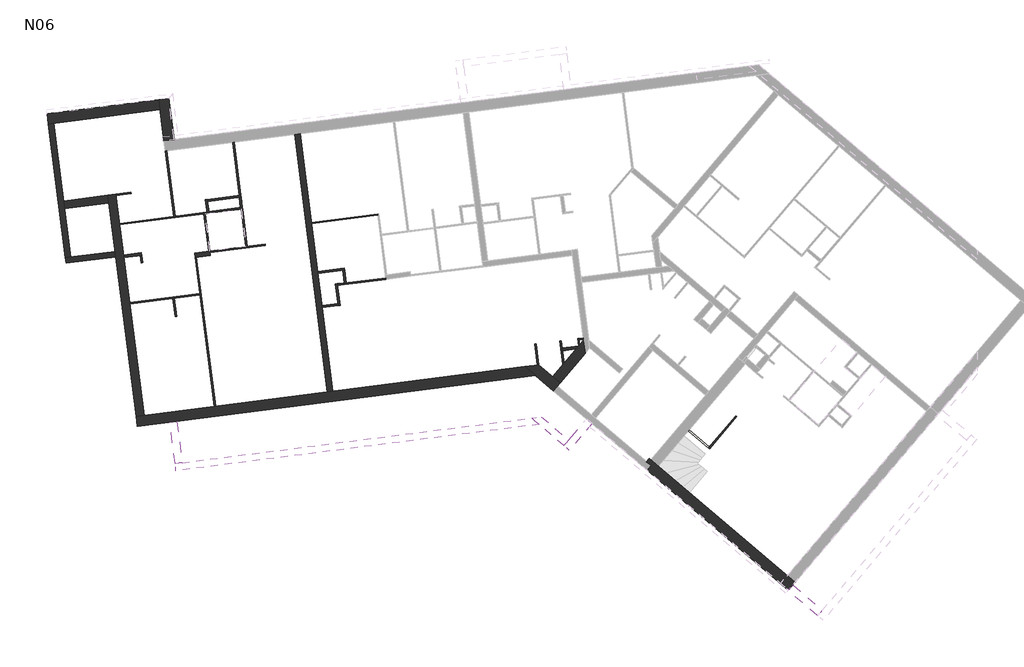
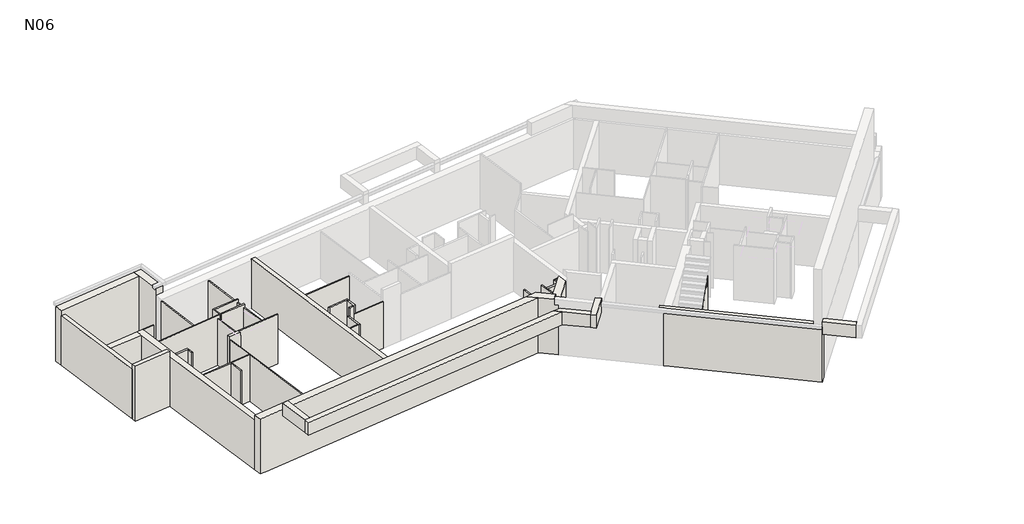
# One storey, part 1 of 3: 47 walls.
"""IFC4 building model written with IfcOpenShell, lengths in millimetres."""

from ifc_helpers import new_model, si_unit, frame, origin, place, context, project, spatial, polyline, outline, extrude, faceted_brep, element, save

model = new_model("IFC4")

# Units and contexts
model_context = context("Model", 3, world=origin())
ifc_project = project(units=[si_unit("LENGTHUNIT", "METRE", prefix="MILLI")], contexts=[model_context])

# Site, building, storey
site = spatial("IfcSite", under=ifc_project)
building = spatial("IfcBuilding", under=site)
storey = spatial("IfcBuildingStorey", under=building, Name="N06", Elevation=16920.0)

# Walls
placement = place(None, origin())
element("IfcWall", 1, at=placement, inside=storey, context=model_context, shape_type="Brep", body=[
    faceted_brep([(5758.2370181, 14194.8714572, 16920.0), (-1162.1110386, 13310.3917107, 16920.0), (-1360.4972796, 13285.0362502, 16920.0), (-7972.5911161, 12439.9540329, 16920.0), (-8260.2511655, 12403.1886151, 16920.0), (-8260.2511655, 12403.1886151, 19420.0), (-8260.2511655, 12403.1886151, 19690.0), (-7972.5911161, 12439.9540329, 19690.0), (-1261.3041591, 13297.7139805, 19690.0), (5758.2370181, 14194.8714572, 19690.0), (6140.2224716, 13870.6827304, 16920.0), (6140.2224716, 13870.6827304, 19690.0), (-1214.3965571, 12930.6994346, 19690.0), (-7925.683514, 12072.939487, 19690.0), (-8213.3435635, 12036.1740692, 19690.0), (-8213.3435635, 12036.1740692, 16920.0), (-7925.683514, 12072.939487, 16920.0)], [[[0, 1, 2, 3, 4, 5, 6, 7, 8, 9]], [[10, 11, 12, 13, 14, 15, 16]], [[4, 3, 2, 1, 0, 10, 16, 15]], [[9, 8, 7, 6, 14, 13, 12, 11]], [[0, 9, 11, 10]], [[6, 5, 4, 15, 14]]]),
])
element("IfcWall", 2, at=placement, inside=storey, context=model_context, shape_type="Brep", body=[
    faceted_brep([(15497.4537779, 6414.5476727, 16920.0), (15215.3544939, 6653.9636162, 16920.0), (10566.9673175, 10599.0214892, 16920.0), (10433.5419804, 10712.2587597, 16920.0), (10300.1166434, 10825.4960303, 16920.0), (10235.3100512, 10880.4969902, 16920.0), (10235.3100512, 10880.4969902, 19690.0), (10566.9673175, 10599.0214892, 19690.0), (15215.3544939, 6653.9636162, 19690.0), (15497.4537779, 6414.5476727, 19690.0), (15497.4537779, 6414.5476727, 19420.0), (15258.0378345, 6132.4483887, 16920.0), (15258.0378345, 6132.4483887, 19690.0), (15254.2256817, 6135.6837396, 19690.0), (14975.9385505, 6371.8643322, 19690.0), (10327.551374, 10316.9222052, 19690.0), (10159.8166646, 10459.277631, 19690.0), (10159.8166646, 10459.277631, 16920.0), (10194.126037, 10430.1594757, 16920.0), (15413.3346627, 6315.4317081, 16920.0), (10302.1720905, 10627.0123404, 16920.0), (10138.2495336, 10766.1324156, 16920.0), (10138.2495336, 10766.1324156, 19690.0), (10302.1720905, 10627.0123404, 19690.0), (15413.3346627, 6315.4317081, 19690.0)], [[[0, 1, 2, 3, 4, 5, 6, 7, 8, 9, 10]], [[11, 12, 13, 14, 15, 16, 17, 18]], [[5, 4, 3, 2, 1, 0, 19, 11, 18, 17, 20, 21]], [[6, 5, 21, 22]], [[9, 8, 7, 6, 22, 23, 16, 15, 14, 13, 12, 24]], [[20, 23, 22, 21]], [[23, 20, 17, 16]], [[0, 10, 9, 24, 12, 11, 19]]]),
])
element("IfcWall", 3, at=placement, inside=storey, context=model_context, shape_type="Brep", body=[
    faceted_brep([(7021.6826483, 13607.8829857, 16920.0), (7925.3724793, 14672.6836444, 16920.0), (7925.3724793, 14672.6836444, 19420.0), (7021.6826483, 13607.8829857, 19420.0), (6754.8319743, 13834.3575268, 16920.0), (6754.8319743, 13834.3575268, 19420.0), (7865.2890942, 15142.7881766, 19420.0), (7865.2890942, 15142.7881766, 16920.0), (7734.3217869, 14988.4718721, 16920.0), (7690.5124995, 14936.8522163, 16920.0), (7594.5428873, 14823.773035, 16920.0), (6888.2573113, 13721.1202563, 19420.0)], [[[0, 1, 2, 3]], [[4, 5, 6, 7, 8, 9, 10]], [[1, 0, 4, 10, 9, 8, 7]], [[3, 2, 6, 5, 11]], [[0, 3, 11, 5, 4]], [[1, 7, 6, 2]]]),
])
element("IfcWall", 4, at=placement, inside=storey, context=model_context, shape_type="Brep", body=[
    faceted_brep([(7021.6826483, 13607.8829857, 16920.0), (6888.2573113, 13721.1202563, 16920.0), (6754.8319743, 13834.3575268, 16920.0), (6255.2046664, 14258.3881787, 16920.0), (6255.2046664, 14258.3881787, 19690.0), (6888.2573113, 13721.1202563, 19690.0), (6888.2573113, 13721.1202563, 19420.0), (7021.6826483, 13607.8829857, 19420.0), (6782.2667049, 13325.7837017, 16920.0), (6782.2667049, 13325.7837017, 19420.0), (6648.8413679, 13439.0209723, 19420.0), (6648.8413679, 13439.0209723, 19690.0), (6140.2224716, 13870.6827304, 19690.0), (5758.2370181, 14194.8714572, 19690.0), (5758.2370181, 14194.8714572, 16920.0), (6140.2224716, 13870.6827304, 16920.0), (6648.8413679, 13439.0209723, 16920.0), (6924.6221307, 13493.5184111, 16920.0), (6791.1967937, 13606.7556817, 19690.0), (6791.1967937, 13606.7556817, 19420.0), (6924.6221307, 13493.5184111, 19420.0)], [[[0, 1, 2, 3, 4, 5, 6, 7]], [[8, 9, 10, 11, 12, 13, 14, 15, 16]], [[3, 2, 1, 0, 17, 8, 16, 15, 14]], [[5, 4, 13, 12, 11, 18]], [[6, 5, 18, 11, 10, 19]], [[6, 19, 10, 9, 20, 7]], [[0, 7, 20, 9, 8, 17]], [[4, 3, 14, 13]]]),
])
element("IfcWall", 5, at=placement, inside=storey, context=model_context, shape_type="Brep", body=[
    faceted_brep([(5996.4358323, 12340.1039215, 19360.0), (-6597.3795676, 10730.5064617, 19360.0), (-6855.2816809, 10697.544363, 19360.0), (-6855.2816809, 10697.544363, 20000.0), (-6597.3795676, 10730.5064617, 20000.0), (5996.4358323, 12340.1039215, 20000.0), (6264.8580429, 12112.2956269, 19360.0), (6264.8580429, 12112.2956269, 20000.0), (-6822.3195822, 10439.6422497, 20000.0), (-6822.3195822, 10439.6422497, 19360.0)], [[[0, 1, 2, 3, 4, 5]], [[6, 7, 8, 9]], [[2, 1, 0, 6, 9]], [[5, 4, 3, 8, 7]], [[3, 2, 9, 8]], [[0, 5, 7, 6]]]),
])
element("IfcWall", 6, at=placement, inside=storey, context=model_context, shape_type="SweptSolid", body=[
    extrude(outline(polyline([(-6787.5455217, 12218.4032693), (-6597.3795676, 10730.5064617), (-6855.2816809, 10697.544363), (-7045.447635, 12185.4411706), (-6787.5455217, 12218.4032693)])), frame((0.0, 0.0, 19360.0), z_axis=(0.0, 0.0, 1.0), x_axis=(1.0, 0.0, 0.0)), (0.0, 0.0, 1.0), 640.0),
])
element("IfcWall", 7, at=placement, inside=storey, context=model_context, shape_type="Brep", body=[
    faceted_brep([(-11422.5288425, 22947.3623567, 16920.0), (-10805.8258082, 18122.1533431, 16920.0), (-10805.8258082, 18122.1533431, 19420.0), (-11422.5288425, 22947.3623567, 19420.0), (-11224.1426015, 22972.7178173, 16920.0), (-11224.1426015, 22972.7178173, 19420.0), (-10866.6306077, 20175.4718191, 19420.0), (-10829.8651899, 19887.8117696, 19420.0), (-10607.4395672, 18147.5088036, 19420.0), (-10607.4395672, 18147.5088036, 16920.0), (-10829.8651899, 19887.8117696, 16920.0), (-10866.6306077, 20175.4718191, 16920.0)], [[[0, 1, 2, 3]], [[4, 5, 6, 7, 8, 9, 10, 11]], [[1, 0, 4, 11, 10, 9]], [[3, 2, 8, 7, 6, 5]], [[0, 3, 5, 4]], [[2, 1, 9, 8]]]),
])
element("IfcWall", 8, at=placement, inside=storey, context=model_context, shape_type="Brep", body=[
    faceted_brep([(-9279.5406797, 20378.3155035, 16920.0), (-9242.7752619, 20090.655454, 16920.0), (-9020.3496391, 18350.352488, 16920.0), (-8994.9941786, 18151.966247, 16920.0), (-8260.2511655, 12403.1886151, 16920.0), (-8260.2511655, 12403.1886151, 19420.0), (-9242.7752619, 20090.655454, 19420.0), (-9279.5406797, 20378.3155035, 19420.0), (-8991.8806302, 20415.0809213, 16920.0), (-8991.8806302, 20415.0809213, 19420.0), (-8985.5417651, 20365.484361, 19420.0), (-7972.5911161, 12439.9540329, 19420.0), (-7972.5911161, 12439.9540329, 16920.0), (-8985.5417651, 20365.484361, 16920.0)], [[[0, 1, 2, 3, 4, 5, 6, 7]], [[8, 9, 10, 11, 12, 13]], [[4, 3, 2, 1, 0, 8, 13, 12]], [[7, 6, 5, 11, 10, 9]], [[5, 4, 12, 11]], [[0, 7, 9, 8]]]),
])
element("IfcWall", 9, at=placement, inside=storey, context=model_context, shape_type="Brep", body=[
    faceted_brep([(-6889.1025532, 22387.5811542, 16920.0), (-7079.2685073, 23875.4779617, 16920.0), (-7079.2685073, 23875.4779617, 19690.0), (-7032.3609053, 23508.4634158, 19690.0), (-6889.1025532, 22387.5811542, 19690.0), (-7446.2830532, 23828.5703597, 16920.0), (-7399.3754512, 23461.5558138, 16920.0), (-7256.1170991, 22340.6735521, 16920.0), (-7256.1170991, 22340.6735521, 19360.0), (-7256.1170991, 22340.6735521, 19690.0), (-7399.3754512, 23461.5558138, 19690.0), (-7446.2830532, 23828.5703597, 19690.0)], [[[0, 1, 2, 3, 4]], [[5, 6, 7, 8, 9, 10, 11]], [[1, 0, 7, 6, 5]], [[1, 5, 11, 2]], [[2, 11, 10, 9, 4, 3]], [[7, 0, 4, 9, 8]]]),
])
element("IfcWall", 10, at=placement, inside=storey, context=model_context, shape_type="Brep", body=[
    faceted_brep([(-11422.5288425, 22947.3623567, 16920.0), (-11224.1426015, 22972.7178173, 16920.0), (-7399.3754512, 23461.5558138, 16920.0), (-7399.3754512, 23461.5558138, 19690.0), (-11422.5288425, 22947.3623567, 19690.0), (-11422.5288425, 22947.3623567, 19420.0), (-11469.4364445, 23314.3769026, 16920.0), (-11469.4364445, 23314.3769026, 19690.0), (-7446.2830532, 23828.5703597, 19690.0), (-7446.2830532, 23828.5703597, 16920.0)], [[[0, 1, 2, 3, 4, 5]], [[6, 7, 8, 9]], [[2, 1, 0, 6, 9]], [[4, 3, 8, 7]], [[3, 2, 9, 8]], [[0, 5, 4, 7, 6]]]),
])
element("IfcWall", 11, at=placement, inside=storey, context=model_context, shape_type="Brep", body=[
    faceted_brep([(-10780.4703476, 17923.7671021, 16920.0), (-8994.9941786, 18151.966247, 16920.0), (-8994.9941786, 18151.966247, 19690.0), (-10780.4703476, 17923.7671021, 19690.0), (-10805.8258082, 18122.1533431, 16920.0), (-10805.8258082, 18122.1533431, 19420.0), (-10805.8258082, 18122.1533431, 19690.0), (-9020.3496391, 18350.352488, 19690.0), (-9020.3496391, 18350.352488, 16920.0), (-10607.4395672, 18147.5088036, 16920.0)], [[[0, 1, 2, 3]], [[4, 5, 6, 7, 8, 9]], [[1, 0, 4, 9, 8]], [[3, 2, 7, 6]], [[0, 3, 6, 5, 4]], [[2, 1, 8, 7]]]),
])
element("IfcWall", 12, at=placement, inside=storey, context=model_context, shape_type="Brep", body=[
    faceted_brep([(16480.7373588, 5409.5335437, 19360.0), (15409.5225099, 6318.6670589, 19360.0), (15409.5225099, 6318.6670589, 19690.0), (15409.5225099, 6318.6670589, 20000.0), (15413.3346627, 6315.4317081, 20000.0), (16480.7373588, 5409.5335437, 20000.0), (16312.4991283, 5211.3016144, 19360.0), (16312.4991283, 5211.3016144, 20000.0), (15241.2842794, 6120.4351296, 20000.0), (15241.2842794, 6120.4351296, 19360.0), (15254.2256817, 6135.6837396, 20000.0)], [[[0, 1, 2, 3, 4, 5]], [[6, 7, 8, 9]], [[1, 0, 6, 9]], [[3, 2, 1, 9, 8, 10]], [[5, 4, 3, 10, 8, 7]], [[0, 5, 7, 6]]]),
])
element("IfcWall", 13, at=placement, inside=storey, context=model_context, shape_type="Brep", body=[
    faceted_brep([(-1162.1110386, 13310.3917107, 16920.0), (-1547.514039, 16325.862574, 16920.0), (-1556.3884502, 16395.2977584, 16920.0), (-1705.3517809, 17560.8169243, 16920.0), (-1714.2261921, 17630.2521086, 16920.0), (-1934.1848124, 19351.2527494, 16920.0), (-1940.5236775, 19400.8493096, 16920.0), (-2348.7465924, 22594.8677898, 16920.0), (-2348.7465924, 22594.8677898, 19420.0), (-1162.1110386, 13310.3917107, 19420.0), (-1360.4972796, 13285.0362502, 16920.0), (-1360.4972796, 13285.0362502, 19420.0), (-2547.1328334, 22569.5123292, 19420.0), (-2547.1328334, 22569.5123292, 16920.0)], [[[0, 1, 2, 3, 4, 5, 6, 7, 8, 9]], [[10, 11, 12, 13]], [[7, 6, 5, 4, 3, 2, 1, 0, 10, 13]], [[9, 8, 12, 11]], [[8, 7, 13, 12]], [[0, 9, 11, 10]]]),
])
element("IfcWall", 14, at=placement, inside=storey, context=model_context, shape_type="Brep", body=[
    faceted_brep([(7979.2654424, 12309.8981668, 20000.0), (7979.2654424, 12309.8981668, 19360.0), (7332.195325, 11547.4676695, 19360.0), (7163.9570945, 11349.2357402, 19360.0), (7163.9570945, 11349.2357402, 20000.0), (7332.195325, 11547.4676695, 20000.0), (8177.4973717, 12141.6599362, 19360.0), (8177.4973717, 12141.6599362, 20000.0), (7362.1890238, 11180.9975097, 20000.0), (7362.1890238, 11180.9975097, 19360.0)], [[[0, 1, 2, 3, 4, 5]], [[6, 7, 8, 9]], [[3, 2, 1, 6, 9]], [[0, 5, 4, 8, 7]], [[0, 7, 6, 1]], [[4, 3, 9, 8]]]),
])
element("IfcWall", 15, at=placement, inside=storey, context=model_context, shape_type="Brep", body=[
    faceted_brep([(5996.4358323, 12340.1039215, 19360.0), (6264.8580429, 12112.2956269, 19360.0), (7163.9570945, 11349.2357402, 19360.0), (7163.9570945, 11349.2357402, 20000.0), (6264.8580429, 12112.2956269, 20000.0), (5996.4358323, 12340.1039215, 20000.0), (6345.6563419, 12384.7372933, 19360.0), (6345.6563419, 12384.7372933, 20000.0), (7332.195325, 11547.4676695, 20000.0), (7332.195325, 11547.4676695, 19360.0)], [[[0, 1, 2, 3, 4, 5]], [[6, 7, 8, 9]], [[2, 1, 0, 6, 9]], [[5, 4, 3, 8, 7]], [[3, 2, 9, 8]], [[0, 5, 7, 6]]]),
])
element("IfcWall", 16, at=placement, inside=storey, context=model_context, shape_type="SweptSolid", body=[
    extrude(outline(polyline([(-9242.7752619, 20090.655454), (-10829.8651899, 19887.8117696), (-10866.6306077, 20175.4718191), (-9279.5406797, 20378.3155035), (-9242.7752619, 20090.655454)])), frame((0.0, 0.0, 16920.0), z_axis=(0.0, 0.0, 1.0), x_axis=(1.0, 0.0, 0.0)), (0.0, 0.0, 1.0), 2500.0),
])
element("IfcWall", 17, ObjectType="CLO 10", at=placement, inside=storey, context=model_context, shape_type="SweptSolid", body=[
    extrude(outline(polyline([(7095.3537765, 14860.7858346), (7690.5124995, 14936.8522163), (7594.5428873, 14823.773035), (7108.0315067, 14761.5927141), (7095.3537765, 14860.7858346)])), frame((0.0, 0.0, 16920.0), z_axis=(0.0, 0.0, 1.0), x_axis=(1.0, 0.0, 0.0)), (0.0, 0.0, 1.0), 2350.0),
])
element("IfcWall", 18, ObjectType="CLO 10", at=placement, inside=storey, context=model_context, shape_type="Brep", body=[
    faceted_brep([(-8699.616304, 18128.3458433, 16920.0), (-8104.457581, 18204.4122249, 16920.0), (-8054.8610207, 18210.7510901, 16920.0), (-8054.8610207, 18210.7510901, 19420.0), (-8104.457581, 18204.4122249, 19420.0), (-8699.616304, 18128.3458433, 19420.0), (-8712.2940343, 18227.5389638, 16920.0), (-8712.2940343, 18227.5389638, 19420.0), (-8067.538751, 18309.9442106, 19420.0), (-8067.538751, 18309.9442106, 16920.0)], [[[0, 1, 2, 3, 4, 5]], [[6, 7, 8, 9]], [[2, 1, 0, 6, 9]], [[5, 4, 3, 8, 7]], [[0, 5, 7, 6]], [[3, 2, 9, 8]]]),
])
element("IfcWall", 19, ObjectType="CLO 5", at=placement, inside=storey, context=model_context, shape_type="Brep", body=[
    faceted_brep([(13359.9100191, 12421.7369279, 16920.0), (12405.8985287, 11297.6432084, 16920.0), (12373.5450229, 11259.5216836, 16920.0), (12373.5450229, 11259.5216836, 18010.5882353), (12373.5450229, 11259.5216836, 18173.5294118), (12536.9302275, 11452.0353841, 18173.5294118), (12536.9302275, 11452.0353841, 18336.4705882), (12692.2270557, 11635.0187035, 18336.4705882), (12692.2270557, 11635.0187035, 18499.4117647), (12847.5238839, 11818.0020228, 18499.4117647), (12847.5238839, 11818.0020228, 18662.3529412), (13002.820712, 12000.9853422, 18662.3529412), (13002.820712, 12000.9853422, 18825.2941176), (13158.1175402, 12183.9686615, 18825.2941176), (13158.1175402, 12183.9686615, 18988.2352941), (13313.4143684, 12366.9519809, 18988.2352941), (13313.4143684, 12366.9519809, 19151.1764706), (13359.9100191, 12421.7369279, 19151.1764706), (13398.031544, 12389.3834221, 16920.0), (13398.031544, 12389.3834221, 19151.1764706), (13351.5358932, 12334.598475, 19151.1764706), (13351.5358932, 12334.598475, 18988.2352941), (13196.2390651, 12151.6151557, 18988.2352941), (13196.2390651, 12151.6151557, 18825.2941176), (13040.9422369, 11968.6318363, 18825.2941176), (13040.9422369, 11968.6318363, 18662.3529412), (12885.6454087, 11785.648517, 18662.3529412), (12885.6454087, 11785.648517, 18499.4117647), (12730.3485806, 11602.6651976, 18499.4117647), (12730.3485806, 11602.6651976, 18336.4705882), (12575.0517524, 11419.6818783, 18336.4705882), (12575.0517524, 11419.6818783, 18173.5294118), (12411.6665477, 11227.1681777, 18173.5294118), (12411.6665477, 11227.1681777, 16920.0)], [[[0, 1, 2, 3, 4, 5, 6, 7, 8, 9, 10, 11, 12, 13, 14, 15, 16, 17]], [[18, 19, 20, 21, 22, 23, 24, 25, 26, 27, 28, 29, 30, 31, 32, 33]], [[4, 3, 2, 33, 32]], [[2, 1, 0, 18, 33]], [[0, 17, 19, 18]], [[5, 4, 32, 31]], [[6, 5, 31, 30]], [[7, 6, 30, 29]], [[8, 7, 29, 28]], [[9, 8, 28, 27]], [[10, 9, 27, 26]], [[11, 10, 26, 25]], [[12, 11, 25, 24]], [[13, 12, 24, 23]], [[14, 13, 23, 22]], [[15, 14, 22, 21]], [[16, 15, 21, 20]], [[17, 16, 20, 19]]]),
])
element("IfcWall", 20, ObjectType="CLO 5", at=placement, inside=storey, context=model_context, shape_type="SweptSolid", body=[
    extrude(outline(polyline([(11681.5895563, 11912.35982), (12405.8985287, 11297.6432084), (12373.5450229, 11259.5216836), (11649.2360505, 11874.2382951), (11681.5895563, 11912.35982)])), frame((0.0, 0.0, 16920.0), z_axis=(0.0, 0.0, 1.0), x_axis=(1.0, 0.0, 0.0)), (0.0, 0.0, 1.0), 1090.5882353),
])
element("IfcWall", 21, ObjectType="CLO 5", at=placement, inside=storey, context=model_context, shape_type="Brep", body=[
    faceted_brep([(7011.5273445, 15122.2683948, 16920.0), (7118.0981267, 14288.4370852, 16920.0), (7118.0981267, 14288.4370852, 19270.0), (7011.5273445, 15122.2683948, 19270.0), (7061.1239047, 15128.60726, 16920.0), (7061.1239047, 15128.60726, 19270.0), (7095.3537765, 14860.7858346, 19270.0), (7108.0315067, 14761.5927141, 19270.0), (7167.6946869, 14294.7759503, 19270.0), (7167.6946869, 14294.7759503, 16920.0), (7108.0315067, 14761.5927141, 16920.0), (7095.3537765, 14860.7858346, 16920.0)], [[[0, 1, 2, 3]], [[4, 5, 6, 7, 8, 9, 10, 11]], [[1, 0, 4, 11, 10, 9]], [[2, 1, 9, 8]], [[3, 2, 8, 7, 6, 5]], [[0, 3, 5, 4]]]),
])
element("IfcWall", 22, ObjectType="CLO 5", at=placement, inside=storey, context=model_context, shape_type="SweptSolid", body=[
    extrude(outline(polyline([(6158.7239449, 15013.2728171), (6255.2046664, 14258.3881787), (6205.6081061, 14252.0493135), (6109.1273846, 15006.9339519), (6158.7239449, 15013.2728171)])), frame((0.0, 0.0, 16920.0), z_axis=(0.0, 0.0, 1.0), x_axis=(1.0, 0.0, 0.0)), (0.0, 0.0, 1.0), 2500.0),
])
element("IfcWall", 23, ObjectType="CLO 5", at=placement, inside=storey, context=model_context, shape_type="Brep", body=[
    faceted_brep([(7734.3217869, 14988.4718721, 16920.0), (7712.2180531, 15161.4159465, 16920.0), (7705.879188, 15211.0125068, 16920.0), (7705.879188, 15211.0125068, 19270.0), (7712.2180531, 15161.4159465, 19270.0), (7734.3217869, 14988.4718721, 19270.0), (7690.5124995, 14936.8522163, 16920.0), (7690.5124995, 14936.8522163, 19270.0), (7656.2826277, 15204.6736416, 19270.0), (7656.2826277, 15204.6736416, 16920.0)], [[[0, 1, 2, 3, 4, 5]], [[6, 7, 8, 9]], [[2, 1, 0, 6, 9]], [[5, 4, 3, 8, 7]], [[3, 2, 9, 8]], [[0, 5, 7, 6]]]),
])
element("IfcWall", 24, ObjectType="CLO 5", at=placement, inside=storey, context=model_context, shape_type="SweptSolid", body=[
    extrude(outline(polyline([(7860.4863389, 15180.3659032), (7712.2180531, 15161.4159465), (7705.879188, 15211.0125068), (7854.1474738, 15229.9624634), (7860.4863389, 15180.3659032)])), frame((0.0, 0.0, 16920.0), z_axis=(0.0, 0.0, 1.0), x_axis=(1.0, 0.0, 0.0)), (0.0, 0.0, 1.0), 2350.0),
])
element("IfcWall", 25, ObjectType="CLO 5", at=placement, inside=storey, context=model_context, shape_type="SweptSolid", body=[
    extrude(outline(polyline([(451.4097357, 19656.1521625), (-1934.1848124, 19351.2527494), (-1940.5236775, 19400.8493096), (445.0708706, 19705.7487227), (451.4097357, 19656.1521625)])), frame((0.0, 0.0, 16920.0), z_axis=(0.0, 0.0, 1.0), x_axis=(1.0, 0.0, 0.0)), (0.0, 0.0, 1.0), 2350.0),
])
element("IfcWall", 26, ObjectType="CLO 5", at=placement, inside=storey, context=model_context, shape_type="SweptSolid", body=[
    extrude(outline(polyline([(-8070.2277092, 17936.5907996), (-8104.457581, 18204.4122249), (-8054.8610207, 18210.7510901), (-8020.631149, 17942.9296647), (-8070.2277092, 17936.5907996)])), frame((0.0, 0.0, 16920.0), z_axis=(0.0, 0.0, 1.0), x_axis=(1.0, 0.0, 0.0)), (0.0, 0.0, 1.0), 2500.0),
])
element("IfcWall", 27, ObjectType="CLO 5", at=placement, inside=storey, context=model_context, shape_type="Brep", body=[
    faceted_brep([(-3604.7314669, 18618.2142485, 16920.0), (-4249.4867502, 18535.8090017, 16920.0), (-4299.0833104, 18529.4701366, 16920.0), (-5598.5130803, 18363.3918839, 16920.0), (-5598.5130803, 18363.3918839, 19270.0), (-5623.3113604, 18360.2224513, 19270.0), (-5623.3113604, 18360.2224513, 19420.0), (-3604.7314669, 18618.2142485, 19420.0), (-3598.3926018, 18568.6176883, 16920.0), (-3598.3926018, 18568.6176883, 19420.0), (-5616.9724953, 18310.625891, 19420.0), (-5616.9724953, 18310.625891, 19270.0), (-5592.1742151, 18313.7953236, 19270.0), (-5592.1742151, 18313.7953236, 16920.0)], [[[0, 1, 2, 3, 4, 5, 6, 7]], [[8, 9, 10, 11, 12, 13]], [[3, 2, 1, 0, 8, 13]], [[7, 6, 10, 9]], [[0, 7, 9, 8]], [[6, 5, 11, 10]], [[11, 5, 4, 12]], [[4, 3, 13, 12]]]),
])
element("IfcWall", 28, ObjectType="CLO 5", at=placement, inside=storey, context=model_context, shape_type="Brep", body=[
    faceted_brep([(-8851.1578242, 19314.0372837, 16920.0), (-5819.9355291, 19701.453452, 16920.0), (-5770.3389689, 19707.7923171, 16920.0), (-5700.9037845, 19716.6667283, 16920.0), (-5700.9037845, 19716.6667283, 19420.0), (-8851.1578242, 19314.0372837, 19420.0), (-8857.4966893, 19363.633844, 16920.0), (-8857.4966893, 19363.633844, 19420.0), (-5707.2426497, 19766.2632885, 19420.0), (-5707.2426497, 19766.2632885, 16920.0), (-6857.8829562, 19619.2016035, 16920.0), (-6907.4795165, 19612.8627383, 16920.0)], [[[0, 1, 2, 3, 4, 5]], [[6, 7, 8, 9, 10, 11]], [[3, 2, 1, 0, 6, 11, 10, 9]], [[5, 4, 8, 7]], [[0, 5, 7, 6]], [[4, 3, 9, 8]]]),
])
element("IfcWall", 29, ObjectType="CLO 5", at=placement, inside=storey, context=model_context, shape_type="Brep", body=[
    faceted_brep([(-5819.9355291, 19701.453452, 16920.0), (-5648.1096405, 18357.0530187, 16920.0), (-5648.1096405, 18357.0530187, 19270.0), (-5819.9355291, 19701.453452, 19270.0), (-5770.3389689, 19707.7923171, 16920.0), (-5770.3389689, 19707.7923171, 19270.0), (-5598.5130803, 18363.3918839, 19270.0), (-5598.5130803, 18363.3918839, 16920.0), (-5623.3113604, 18360.2224513, 19270.0)], [[[0, 1, 2, 3]], [[4, 5, 6, 7]], [[1, 0, 4, 7]], [[3, 2, 8, 6, 5]], [[0, 3, 5, 4]], [[2, 1, 7, 6, 8]]]),
])
element("IfcWall", 30, ObjectType="CLO 5", at=placement, inside=storey, context=model_context, shape_type="SweptSolid", body=[
    extrude(outline(polyline([(-6907.4795165, 19612.8627383), (-7209.209497, 21973.6590063), (-7159.6129368, 21979.9978714), (-6857.8829562, 19619.2016035), (-6907.4795165, 19612.8627383)])), frame((0.0, 0.0, 16920.0), z_axis=(0.0, 0.0, 1.0), x_axis=(1.0, 0.0, 0.0)), (0.0, 0.0, 1.0), 2350.0),
])
element("IfcWall", 31, ObjectType="CLO 5", at=placement, inside=storey, context=model_context, shape_type="Brep", body=[
    faceted_brep([(-8486.6304354, 16461.9014188, 16920.0), (-6933.3857445, 16660.4193921, 16920.0), (-6883.7891843, 16666.7582572, 16920.0), (-5961.2931636, 16784.6611488, 16920.0), (-5961.2931636, 16784.6611488, 19270.0), (-6883.7891843, 16666.7582572, 19270.0), (-6933.3857445, 16660.4193921, 19270.0), (-8486.6304354, 16461.9014188, 19270.0), (-8492.9693005, 16511.4979791, 16920.0), (-8492.9693005, 16511.4979791, 19270.0), (-5967.6320288, 16834.257709, 19270.0), (-5967.6320288, 16834.257709, 16920.0)], [[[0, 1, 2, 3, 4, 5, 6, 7]], [[8, 9, 10, 11]], [[3, 2, 1, 0, 8, 11]], [[7, 6, 5, 4, 10, 9]], [[0, 7, 9, 8]], [[4, 3, 11, 10]]]),
])
element("IfcWall", 32, ObjectType="CLO 5", at=placement, inside=storey, context=model_context, shape_type="Brep", body=[
    faceted_brep([(-6133.7102954, 18133.6875876, 16920.0), (-5967.6320288, 16834.257709, 16920.0), (-5961.2931636, 16784.6611488, 16920.0), (-5447.2538443, 12762.7137628, 16920.0), (-5447.2538443, 12762.7137628, 19270.0), (-5961.2931636, 16784.6611488, 19270.0), (-5967.6320288, 16834.257709, 19270.0), (-6133.7102954, 18133.6875876, 19270.0), (-6084.1137351, 18140.0264528, 16920.0), (-6084.1137351, 18140.0264528, 19270.0), (-5397.6572841, 12769.052628, 19270.0), (-5397.6572841, 12769.052628, 16920.0)], [[[0, 1, 2, 3, 4, 5, 6, 7]], [[8, 9, 10, 11]], [[3, 2, 1, 0, 8, 11]], [[4, 3, 11, 10]], [[7, 6, 5, 4, 10, 9]], [[0, 7, 9, 8]]]),
])
element("IfcWall", 33, ObjectType="CLO 5", at=placement, inside=storey, context=model_context, shape_type="Brep", body=[
    faceted_brep([(-6933.3857445, 16660.4193921, 16920.0), (-6848.4449517, 15995.8254847, 16920.0), (-6848.4449517, 15995.8254847, 19270.0), (-6933.3857445, 16660.4193921, 19270.0), (-6883.7891843, 16666.7582572, 16920.0), (-6883.7891843, 16666.7582572, 19020.0), (-6883.7891843, 16666.7582572, 19270.0), (-6798.8483914, 16002.1643499, 19270.0), (-6798.8483914, 16002.1643499, 16920.0)], [[[0, 1, 2, 3]], [[4, 5, 6, 7, 8]], [[1, 0, 4, 8]], [[2, 1, 8, 7]], [[3, 2, 7, 6]], [[0, 3, 6, 5, 4]]]),
])
element("IfcWall", 34, ObjectType="CLO 5", at=placement, inside=storey, context=model_context, shape_type="SweptSolid", body=[
    extrude(outline(polyline([(-4421.3126388, 19880.209435), (-4249.4867502, 18535.8090017), (-4299.0833104, 18529.4701366), (-4470.909199, 19873.8705698), (-4421.3126388, 19880.209435)])), frame((0.0, 0.0, 16920.0), z_axis=(0.0, 0.0, 1.0), x_axis=(1.0, 0.0, 0.0)), (0.0, 0.0, 1.0), 2350.0),
])
element("IfcWall", 35, ObjectType="CLO 5", at=placement, inside=storey, context=model_context, shape_type="SweptSolid", body=[
    extrude(outline(polyline([(-8439.9796023, 20435.2118776), (-8985.5417651, 20365.484361), (-8991.8806302, 20415.0809213), (-8446.3184675, 20484.8084378), (-8439.9796023, 20435.2118776)])), frame((0.0, 0.0, 16920.0), z_axis=(0.0, 0.0, 1.0), x_axis=(1.0, 0.0, 0.0)), (0.0, 0.0, 1.0), 2500.0),
])
element("IfcWall", 36, ObjectType="CLO 5", at=placement, inside=storey, context=model_context, shape_type="Brep", body=[
    faceted_brep([(740.461986, 17394.549015, 16920.0), (-682.9592932, 17212.6235856, 16920.0), (-752.3944776, 17203.7491744, 16920.0), (-752.3944776, 17203.7491744, 19270.0), (740.461986, 17394.549015, 19270.0), (746.8008511, 17344.9524548, 16920.0), (746.8008511, 17344.9524548, 19270.0), (-746.0556124, 17154.1526141, 19270.0), (-746.0556124, 17154.1526141, 16920.0)], [[[0, 1, 2, 3, 4]], [[5, 6, 7, 8]], [[2, 1, 0, 5, 8]], [[4, 3, 7, 6]], [[0, 4, 6, 5]], [[3, 2, 8, 7]]]),
])
element("IfcWall", 37, ObjectType="CLO 5", at=placement, inside=storey, context=model_context, shape_type="SweptSolid", body=[
    extrude(outline(polyline([(-4729.3814845, 22290.6022632), (-4484.7012902, 20376.1750375), (-4534.2978504, 20369.8361723), (-4778.9780447, 22284.263398), (-4729.3814845, 22290.6022632)])), frame((0.0, 0.0, 16920.0), z_axis=(0.0, 0.0, 1.0), x_axis=(1.0, 0.0, 0.0)), (0.0, 0.0, 1.0), 2350.0),
])
element("IfcWall", 38, ObjectType="CLO 7", at=placement, inside=storey, context=model_context, shape_type="Brep", body=[
    faceted_brep([(-1072.3480093, 17183.0190616, 16920.0), (-981.0683513, 16468.828594, 16920.0), (-972.1939401, 16399.3934096, 16920.0), (-972.1939401, 16399.3934096, 19270.0), (-981.0683513, 16468.828594, 19270.0), (-1072.3480093, 17183.0190616, 19270.0), (-1002.9128249, 17191.8934728, 16920.0), (-1002.9128249, 17191.8934728, 19270.0), (-902.7587557, 16408.2678208, 19270.0), (-902.7587557, 16408.2678208, 16920.0), (-994.0384137, 17122.4582884, 16920.0)], [[[0, 1, 2, 3, 4, 5]], [[6, 7, 8, 9, 10]], [[2, 1, 0, 6, 10, 9]], [[5, 4, 3, 8, 7]], [[3, 2, 9, 8]], [[0, 5, 7, 6]]]),
])
element("IfcWall", 39, ObjectType="CLO 7", at=placement, inside=storey, context=model_context, shape_type="SweptSolid", body=[
    extrude(outline(polyline([(-1556.3884502, 16395.2977584), (-981.0683513, 16468.828594), (-972.1939401, 16399.3934096), (-1547.514039, 16325.862574), (-1556.3884502, 16395.2977584)])), frame((0.0, 0.0, 16920.0), z_axis=(0.0, 0.0, 1.0), x_axis=(1.0, 0.0, 0.0)), (0.0, 0.0, 1.0), 2350.0),
])
element("IfcWall", 40, ObjectType="CLO 7", at=placement, inside=storey, context=model_context, shape_type="Brep", body=[
    faceted_brep([(-5631.4686002, 19725.5411395, 16920.0), (-5640.3430114, 19794.9763238, 16920.0), (-5685.9828404, 20152.0715577, 16920.0), (-5694.8572516, 20221.506742, 16920.0), (-5694.8572516, 20221.506742, 19420.0), (-5685.9828404, 20152.0715577, 19420.0), (-5640.3430114, 19794.9763238, 19420.0), (-5631.4686002, 19725.5411395, 19420.0), (-5700.9037845, 19716.6667283, 16920.0), (-5700.9037845, 19716.6667283, 19420.0), (-5707.2426497, 19766.2632885, 19420.0), (-5764.2924359, 20212.6323308, 19420.0), (-5764.2924359, 20212.6323308, 16920.0), (-5707.2426497, 19766.2632885, 16920.0)], [[[0, 1, 2, 3, 4, 5, 6, 7]], [[8, 9, 10, 11, 12, 13]], [[3, 2, 1, 0, 8, 13, 12]], [[7, 6, 5, 4, 11, 10, 9]], [[0, 7, 9, 8]], [[4, 3, 12, 11]]]),
])
element("IfcWall", 41, ObjectType="CLO 7", at=placement, inside=storey, context=model_context, shape_type="Brep", body=[
    faceted_brep([(-5685.9828404, 20152.0715577, 16920.0), (-4545.2620633, 20297.8654419, 16920.0), (-4475.826879, 20306.7398531, 16920.0), (-4475.826879, 20306.7398531, 19270.0), (-4475.826879, 20306.7398531, 19420.0), (-5685.9828404, 20152.0715577, 19420.0), (-5694.8572516, 20221.506742, 16920.0), (-5694.8572516, 20221.506742, 19420.0), (-4484.7012902, 20376.1750375, 19420.0), (-4484.7012902, 20376.1750375, 19270.0), (-4484.7012902, 20376.1750375, 16920.0), (-4534.2978504, 20369.8361723, 16920.0)], [[[0, 1, 2, 3, 4, 5]], [[6, 7, 8, 9, 10, 11]], [[2, 1, 0, 6, 11, 10]], [[5, 4, 8, 7]], [[4, 3, 2, 10, 9, 8]], [[0, 5, 7, 6]]]),
])
element("IfcWall", 42, ObjectType="CLO 7", at=placement, inside=storey, context=model_context, shape_type="Brep", body=[
    faceted_brep([(-1705.3517809, 17560.8169243, 16920.0), (-812.6136964, 17674.9164968, 16920.0), (-743.178512, 17683.790908, 16920.0), (-743.178512, 17683.790908, 19690.0), (-812.6136964, 17674.9164968, 19690.0), (-1705.3517809, 17560.8169243, 19690.0), (-1714.2261921, 17630.2521086, 16920.0), (-1714.2261921, 17630.2521086, 19690.0), (-752.0529232, 17753.2260923, 19690.0), (-752.0529232, 17753.2260923, 16920.0)], [[[0, 1, 2, 3, 4, 5]], [[6, 7, 8, 9]], [[2, 1, 0, 6, 9]], [[5, 4, 3, 8, 7]], [[3, 2, 9, 8]], [[0, 5, 7, 6]]]),
])
element("IfcWall", 43, ObjectType="CLO 7", at=placement, inside=storey, context=model_context, shape_type="Brep", body=[
    faceted_brep([(-812.6136964, 17674.9164968, 16920.0), (-752.3944776, 17203.7491744, 16920.0), (-752.3944776, 17203.7491744, 19270.0), (-752.3944776, 17203.7491744, 19690.0), (-812.6136964, 17674.9164968, 19690.0), (-743.178512, 17683.790908, 16920.0), (-743.178512, 17683.790908, 19690.0), (-682.9592932, 17212.6235856, 19690.0), (-682.9592932, 17212.6235856, 16920.0)], [[[0, 1, 2, 3, 4]], [[5, 6, 7, 8]], [[1, 0, 5, 8]], [[4, 3, 7, 6]], [[3, 2, 1, 8, 7]], [[0, 4, 6, 5]]]),
])
element("IfcWall", 44, ObjectType="CLO 7", at=placement, inside=storey, context=model_context, shape_type="Brep", body=[
    faceted_brep([(-994.0384137, 17122.4582884, 16920.0), (-775.8135486, 17150.349295, 16920.0), (-775.8135486, 17150.349295, 19690.0), (-994.0384137, 17122.4582884, 19690.0), (-1002.9128249, 17191.8934728, 16920.0), (-1002.9128249, 17191.8934728, 19270.0), (-1002.9128249, 17191.8934728, 19690.0), (-784.6879598, 17219.7844794, 19690.0), (-784.6879598, 17219.7844794, 16920.0)], [[[0, 1, 2, 3]], [[4, 5, 6, 7, 8]], [[1, 0, 4, 8]], [[2, 1, 8, 7]], [[3, 2, 7, 6]], [[0, 3, 6, 5, 4]]]),
])
element("IfcWall", 45, ObjectType="CLO 7", at=placement, inside=storey, context=model_context, shape_type="SweptSolid", body=[
    extrude(outline(polyline([(-4475.826879, 20306.7398531), (-4430.18705, 19949.6446193), (-4499.6222343, 19940.7702081), (-4545.2620633, 20297.8654419), (-4475.826879, 20306.7398531)])), frame((0.0, 0.0, 16920.0), z_axis=(0.0, 0.0, 1.0), x_axis=(1.0, 0.0, 0.0)), (0.0, 0.0, 1.0), 2350.0),
])
element("IfcWall", 46, ObjectType="CLO 7", at=placement, inside=storey, context=model_context, shape_type="Brep", body=[
    faceted_brep([(-5631.4686002, 19725.5411395, 16920.0), (-4470.909199, 19873.8705698, 16920.0), (-4421.3126388, 19880.209435, 16920.0), (-4421.3126388, 19880.209435, 19270.0), (-4421.3126388, 19880.209435, 19420.0), (-5631.4686002, 19725.5411395, 19420.0), (-5640.3430114, 19794.9763238, 16920.0), (-5640.3430114, 19794.9763238, 19420.0), (-4430.18705, 19949.6446193, 19420.0), (-4430.18705, 19949.6446193, 19270.0), (-4430.18705, 19949.6446193, 16920.0), (-4499.6222343, 19940.7702081, 16920.0)], [[[0, 1, 2, 3, 4, 5]], [[6, 7, 8, 9, 10, 11]], [[2, 1, 0, 6, 11, 10]], [[5, 4, 8, 7]], [[4, 3, 2, 10, 9, 8]], [[0, 5, 7, 6]]]),
])
element("IfcWall", 47, ObjectType="EXT 16 ST", at=placement, inside=storey, context=model_context, shape_type="Brep", body=[
    faceted_brep([(-5598.5130803, 18363.3918839, 16920.0), (-5648.1096405, 18357.0530187, 16920.0), (-6153.9946638, 18292.3965804, 16920.0), (-6153.9946638, 18292.3965804, 19420.0), (-5623.3113604, 18360.2224513, 19420.0), (-5623.3113604, 18360.2224513, 19270.0), (-5598.5130803, 18363.3918839, 19270.0), (-5578.2287118, 18204.6828911, 16920.0), (-5578.2287118, 18204.6828911, 19270.0), (-5603.026992, 18201.5134585, 19270.0), (-5603.026992, 18201.5134585, 19420.0), (-6133.7102954, 18133.6875876, 19420.0), (-6133.7102954, 18133.6875876, 19270.0), (-6133.7102954, 18133.6875876, 16920.0), (-6084.1137351, 18140.0264528, 16920.0), (-5592.1742151, 18313.7953236, 16920.0), (-5616.9724953, 18310.625891, 19420.0), (-5616.9724953, 18310.625891, 19270.0), (-5592.1742151, 18313.7953236, 19270.0)], [[[0, 1, 2, 3, 4, 5, 6]], [[7, 8, 9, 10, 11, 12, 13, 14]], [[2, 1, 0, 15, 7, 14, 13]], [[4, 3, 11, 10, 16]], [[3, 2, 13, 12, 11]], [[5, 4, 16, 10, 9, 17]], [[5, 17, 9, 8, 18, 6]], [[0, 6, 18, 8, 7, 15]]]),
])

save(model, "model.ifc")
